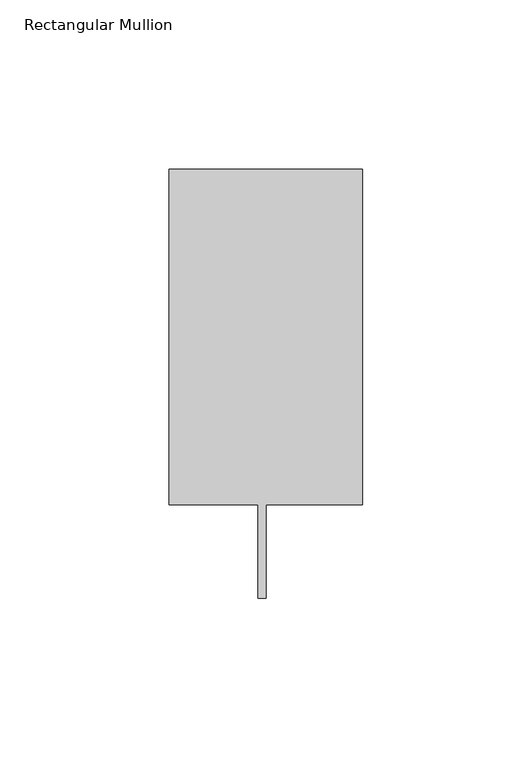
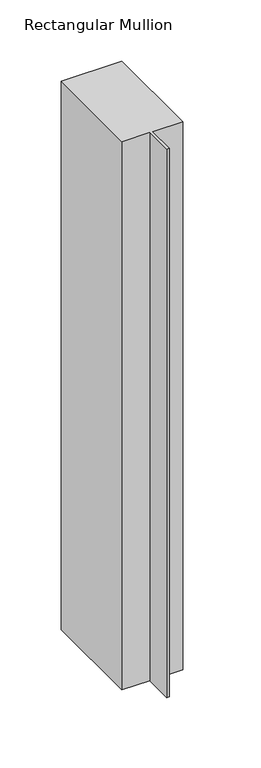
"""IFC4 building model written with IfcOpenShell, lengths in millimetres: member geometry, Rectangular Mullion."""

import ifcopenshell
import ifcopenshell.guid

model = None  # the IFC model being written
_history = None  # IfcOwnerHistory: only IFC2X3 demands one
_inside = {}  # id of a spatial element -> (the spatial element, [elements in it])
_under = {}  # id of a project, library or spatial element -> (it, [spatial elements below it])
_declared = {}  # id of a project -> (the project, [libraries it declares])
_typed = {}  # id of a type object -> (the type object, [elements of that type])
_made_of = {}  # id of a material, layer set ... -> (it, [elements and type objects made of it])


def new_model(schema):
    """Start an empty IFC model of exactly this schema.

    Asked for "IFC4X3", IfcOpenShell would pick the latest addendum, in which some entities
    have other attributes; the version numbers below select the first issue.
    IFC2X3 requires an IfcOwnerHistory on every rooted entity: one is made here for all.
    """
    global model, _history
    if schema == "IFC4X3":
        model = ifcopenshell.file(schema_version=(4, 3, 0, 0))
    else:
        model = ifcopenshell.file(schema=schema)
    _inside.clear()
    _under.clear()
    _declared.clear()
    _typed.clear()
    _made_of.clear()
    _history = None
    if model.schema == "IFC2X3":
        org = make("IfcOrganization", Name="unknown")
        user = make(
            "IfcPersonAndOrganization",
            ThePerson=make("IfcPerson", FamilyName="unknown"),
            TheOrganization=org,
        )
        app = make(
            "IfcApplication",
            ApplicationDeveloper=org,
            Version="unknown",
            ApplicationFullName="unknown",
            ApplicationIdentifier="unknown",
        )
        _history = make(
            "IfcOwnerHistory",
            OwningUser=user,
            OwningApplication=app,
            ChangeAction="ADDED",
            CreationDate=0,
        )
    return model


def make(cls, **values):
    """One entity of the class cls with the attributes given. An attribute that is None is left unset."""
    return model.create_entity(
        cls, **{name: value for name, value in values.items() if value is not None}
    )


def rooted(cls, **values):
    """An entity with a GlobalId (a new one), such as an element, a storey or a relation."""
    return make(cls, GlobalId=ifcopenshell.guid.new(), OwnerHistory=_history, **values)


def si_unit(unit_type, name, prefix=None):
    """IfcSIUnit, for example si_unit("LENGTHUNIT", "METRE", prefix="MILLI")."""
    return make("IfcSIUnit", UnitType=unit_type, Prefix=prefix, Name=name)


def assignment(units):
    """IfcUnitAssignment: the units of a project."""
    return None if units is None else make("IfcUnitAssignment", Units=units)


def point(xyz):
    """IfcCartesianPoint."""
    return None if xyz is None else make("IfcCartesianPoint", Coordinates=xyz)


def direction(xyz):
    """IfcDirection."""
    return None if xyz is None else make("IfcDirection", DirectionRatios=xyz)


def frame(location, z_axis=None, x_axis=None):
    """IfcAxis2Placement3D, a coordinate frame: its origin and axes. An axis left out is left unset."""
    return make(
        "IfcAxis2Placement3D",
        Location=point(location),
        Axis=direction(z_axis),
        RefDirection=direction(x_axis),
    )


def origin():
    """The frame at (0, 0, 0) with its axes left unset."""
    return frame((0.0, 0.0, 0.0))


def place(relative_to, where):
    """IfcLocalPlacement: puts the frame where relative to a parent placement (None: the world)."""
    return make(
        "IfcLocalPlacement", PlacementRelTo=relative_to, RelativePlacement=where
    )


def context(
    kind, dimensions, precision=None, world=None, true_north=None, identifier=None
):
    """IfcGeometricRepresentationContext, for example the 3D "Model" context."""
    return make(
        "IfcGeometricRepresentationContext",
        ContextIdentifier=identifier,
        ContextType=kind,
        CoordinateSpaceDimension=dimensions,
        Precision=precision,
        WorldCoordinateSystem=world,
        TrueNorth=true_north,
    )


def project(units=None, contexts=None):
    """IfcProject with its units and contexts."""
    return rooted(
        "IfcProject",
        Name="project",
        RepresentationContexts=contexts,
        UnitsInContext=assignment(units),
    )


def spatial(cls, under=None, at=None, **own):
    """A site, building, storey or space (cls), placed at a placement, below another one or the project."""
    s = rooted(cls, ObjectPlacement=at, **own)
    if under is not None:
        _under.setdefault(under.id(), (under, []))[1].append(s)
    return s


def polyline(points):
    """IfcPolyline through the points."""
    return make("IfcPolyline", Points=[point(p) for p in points])


def outline(outer, holes=None, kind="AREA"):
    """IfcArbitraryClosedProfileDef: a profile drawn as a closed curve; with holes, ...WithVoids."""
    if holes is None:
        return make("IfcArbitraryClosedProfileDef", ProfileType=kind, OuterCurve=outer)
    return make(
        "IfcArbitraryProfileDefWithVoids",
        ProfileType=kind,
        OuterCurve=outer,
        InnerCurves=holes,
    )


def extrude(swept, where, along, depth):
    """IfcExtrudedAreaSolid: the profile swept, set in the frame where, extruded along a direction by depth."""
    return make(
        "IfcExtrudedAreaSolid",
        SweptArea=swept,
        Position=where,
        ExtrudedDirection=direction(along),
        Depth=depth,
    )


def shape(context_of_items, identifier, shape_type, items):
    """IfcShapeRepresentation: the items that make up one representation, for example the "Body"."""
    return make(
        "IfcShapeRepresentation",
        ContextOfItems=context_of_items,
        RepresentationIdentifier=identifier,
        RepresentationType=shape_type,
        Items=items,
    )


def source(mapping_origin, context_of_items, identifier, shape_type, items):
    """IfcRepresentationMap: a shape defined once, which mapped items show again and again."""
    return make(
        "IfcRepresentationMap",
        MappingOrigin=mapping_origin,
        MappedRepresentation=shape(context_of_items, identifier, shape_type, items),
    )


def transform(
    local_origin,
    x_axis=None,
    y_axis=None,
    z_axis=None,
    scale=None,
    scale2=None,
    scale3=None,
    uniform=True,
):
    """IfcCartesianTransformationOperator3D, or its non-uniform kind. x_axis, y_axis, z_axis: its Axis1, 2, 3."""
    if uniform:
        return make(
            "IfcCartesianTransformationOperator3D",
            Axis1=direction(x_axis),
            Axis2=direction(y_axis),
            LocalOrigin=point(local_origin),
            Scale=scale,
            Axis3=direction(z_axis),
        )
    return make(
        "IfcCartesianTransformationOperator3DnonUniform",
        Axis1=direction(x_axis),
        Axis2=direction(y_axis),
        LocalOrigin=point(local_origin),
        Scale=scale,
        Axis3=direction(z_axis),
        Scale2=scale2,
        Scale3=scale3,
    )


def mapped(mapping_source, mapping_target):
    """IfcMappedItem: shows the shape of a source again, moved by a transform."""
    return make(
        "IfcMappedItem", MappingSource=mapping_source, MappingTarget=mapping_target
    )


def made_of(thing, what):
    """Note that an element or type object is made of a material, layer set ...; save() writes the relation."""
    if what is not None:
        _made_of.setdefault(what.id(), (what, []))[1].append(thing)
    return thing


def element(
    cls,
    number,
    at=None,
    inside=None,
    cuts=None,
    type_object=None,
    material=None,
    context=None,
    identifier="Body",
    shape_type=None,
    held_by="IfcProductDefinitionShape",
    body=None,
    shapes=None,
    **own,
):
    """One element of the class cls, such as IfcWall. Its Tag is "e" and its number.

    at: its placement. inside: the storey or other place that contains it. cuts: it is an
    opening in that element (IfcRelVoidsElement). A single representation is given by context,
    identifier, shape_type and body (its items); several are given by shapes. held_by: the class
    of the entity that holds the representations. save() writes the other relations.
    """
    e = rooted(cls, Tag="e%d" % number, ObjectPlacement=at, **own)
    if body is not None:
        shapes = [shape(context, identifier, shape_type, body)]
    if shapes is not None:
        e.Representation = make(held_by, Representations=shapes)
    if inside is not None:
        _inside.setdefault(inside.id(), (inside, []))[1].append(e)
    if cuts is not None:
        rooted(
            "IfcRelVoidsElement", RelatingBuildingElement=cuts, RelatedOpeningElement=e
        )
    if type_object is not None:
        _typed.setdefault(type_object.id(), (type_object, []))[1].append(e)
    return made_of(e, material)


def aggregate(whole, parts):
    """IfcRelAggregates: a whole, such as a stair, and the parts it consists of."""
    return rooted("IfcRelAggregates", RelatingObject=whole, RelatedObjects=parts)


def save(model, path):
    """Write the relations noted so far, then the file.

    IfcRelAggregates (storeys below a building ...), IfcRelContainedInSpatialStructure (elements
    in a storey), IfcRelDefinesByType, IfcRelAssociatesMaterial and IfcRelDeclares: one each for
    every whole, place, type object, material and project.
    """
    for whole, parts in _under.values():
        aggregate(whole, parts)
    for where, things in _inside.values():
        rooted(
            "IfcRelContainedInSpatialStructure",
            RelatedElements=things,
            RelatingStructure=where,
        )
    for kind, things in _typed.values():
        rooted("IfcRelDefinesByType", RelatedObjects=things, RelatingType=kind)
    for what, things in _made_of.values():
        rooted("IfcRelAssociatesMaterial", RelatedObjects=things, RelatingMaterial=what)
    for by, libraries in _declared.values():
        rooted("IfcRelDeclares", RelatingContext=by, RelatedDefinitions=libraries)
    model.write(path)


def rectangular_mullion_6f73086e(model_context):
    return source(origin(), model_context, "Body", "SweptSolid", [
        extrude(outline(polyline([(0.0, 138.3252808), (0.0, 39.3898437), (-28.575, 39.3898437), (-28.575, 11.7038437), (-30.9626, 11.7038437), (-30.9626, 39.3898437), (-57.15, 39.3898438), (-57.15, 138.3252808), (0.0, 138.3252808)])), frame((0.0, 0.0, -546.1), z_axis=(0.0, 0.0, 1.0), x_axis=(1.0, 0.0, 0.0)), (0.0, 0.0, 1.0), 546.1),
    ])


if __name__ == "__main__":
    model = new_model("IFC4")
    model_context = context("Model", 3, world=origin())
    ifc_project = project(units=[si_unit("LENGTHUNIT", "METRE", prefix="MILLI")], contexts=[model_context])
    site = spatial("IfcSite", under=ifc_project)
    building = spatial("IfcBuilding", under=site)
    placement = place(None, origin())
    rectangular_mullion_shape = rectangular_mullion_6f73086e(model_context)
    element("IfcMember", 1, ObjectType="Rectangular Mullion", at=placement, inside=building, context=model_context, shape_type="MappedRepresentation", body=[
        mapped(rectangular_mullion_shape, transform((0.0, 0.0, 0.0), x_axis=(1.0, 0.0, 0.0), y_axis=(0.0, 1.0, 0.0), z_axis=(0.0, 0.0, 1.0))),
    ])
    save(model, "model.ifc")
